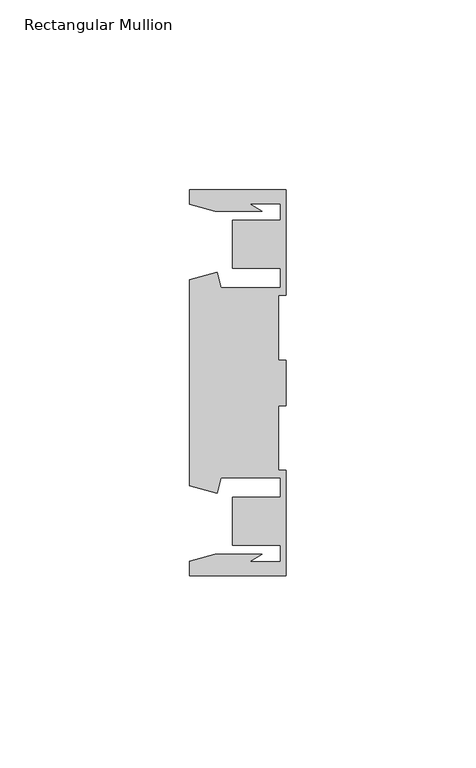
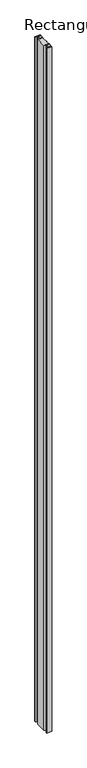
"""IFC4 building model written with IfcOpenShell, lengths in millimetres: member geometry, Rectangular Mullion."""

import ifcopenshell
import ifcopenshell.guid

model = None  # the IFC model being written
_history = None  # IfcOwnerHistory: only IFC2X3 demands one
_inside = {}  # id of a spatial element -> (the spatial element, [elements in it])
_under = {}  # id of a project, library or spatial element -> (it, [spatial elements below it])
_declared = {}  # id of a project -> (the project, [libraries it declares])
_typed = {}  # id of a type object -> (the type object, [elements of that type])
_made_of = {}  # id of a material, layer set ... -> (it, [elements and type objects made of it])


def new_model(schema):
    """Start an empty IFC model of exactly this schema.

    Asked for "IFC4X3", IfcOpenShell would pick the latest addendum, in which some entities
    have other attributes; the version numbers below select the first issue.
    IFC2X3 requires an IfcOwnerHistory on every rooted entity: one is made here for all.
    """
    global model, _history
    if schema == "IFC4X3":
        model = ifcopenshell.file(schema_version=(4, 3, 0, 0))
    else:
        model = ifcopenshell.file(schema=schema)
    _inside.clear()
    _under.clear()
    _declared.clear()
    _typed.clear()
    _made_of.clear()
    _history = None
    if model.schema == "IFC2X3":
        org = make("IfcOrganization", Name="unknown")
        user = make(
            "IfcPersonAndOrganization",
            ThePerson=make("IfcPerson", FamilyName="unknown"),
            TheOrganization=org,
        )
        app = make(
            "IfcApplication",
            ApplicationDeveloper=org,
            Version="unknown",
            ApplicationFullName="unknown",
            ApplicationIdentifier="unknown",
        )
        _history = make(
            "IfcOwnerHistory",
            OwningUser=user,
            OwningApplication=app,
            ChangeAction="ADDED",
            CreationDate=0,
        )
    return model


def make(cls, **values):
    """One entity of the class cls with the attributes given. An attribute that is None is left unset."""
    return model.create_entity(
        cls, **{name: value for name, value in values.items() if value is not None}
    )


def rooted(cls, **values):
    """An entity with a GlobalId (a new one), such as an element, a storey or a relation."""
    return make(cls, GlobalId=ifcopenshell.guid.new(), OwnerHistory=_history, **values)


def si_unit(unit_type, name, prefix=None):
    """IfcSIUnit, for example si_unit("LENGTHUNIT", "METRE", prefix="MILLI")."""
    return make("IfcSIUnit", UnitType=unit_type, Prefix=prefix, Name=name)


def assignment(units):
    """IfcUnitAssignment: the units of a project."""
    return None if units is None else make("IfcUnitAssignment", Units=units)


def point(xyz):
    """IfcCartesianPoint."""
    return None if xyz is None else make("IfcCartesianPoint", Coordinates=xyz)


def direction(xyz):
    """IfcDirection."""
    return None if xyz is None else make("IfcDirection", DirectionRatios=xyz)


def frame(location, z_axis=None, x_axis=None):
    """IfcAxis2Placement3D, a coordinate frame: its origin and axes. An axis left out is left unset."""
    return make(
        "IfcAxis2Placement3D",
        Location=point(location),
        Axis=direction(z_axis),
        RefDirection=direction(x_axis),
    )


def origin():
    """The frame at (0, 0, 0) with its axes left unset."""
    return frame((0.0, 0.0, 0.0))


def place(relative_to, where):
    """IfcLocalPlacement: puts the frame where relative to a parent placement (None: the world)."""
    return make(
        "IfcLocalPlacement", PlacementRelTo=relative_to, RelativePlacement=where
    )


def context(
    kind, dimensions, precision=None, world=None, true_north=None, identifier=None
):
    """IfcGeometricRepresentationContext, for example the 3D "Model" context."""
    return make(
        "IfcGeometricRepresentationContext",
        ContextIdentifier=identifier,
        ContextType=kind,
        CoordinateSpaceDimension=dimensions,
        Precision=precision,
        WorldCoordinateSystem=world,
        TrueNorth=true_north,
    )


def project(units=None, contexts=None):
    """IfcProject with its units and contexts."""
    return rooted(
        "IfcProject",
        Name="project",
        RepresentationContexts=contexts,
        UnitsInContext=assignment(units),
    )


def spatial(cls, under=None, at=None, **own):
    """A site, building, storey or space (cls), placed at a placement, below another one or the project."""
    s = rooted(cls, ObjectPlacement=at, **own)
    if under is not None:
        _under.setdefault(under.id(), (under, []))[1].append(s)
    return s


def polyline(points):
    """IfcPolyline through the points."""
    return make("IfcPolyline", Points=[point(p) for p in points])


def outline(outer, holes=None, kind="AREA"):
    """IfcArbitraryClosedProfileDef: a profile drawn as a closed curve; with holes, ...WithVoids."""
    if holes is None:
        return make("IfcArbitraryClosedProfileDef", ProfileType=kind, OuterCurve=outer)
    return make(
        "IfcArbitraryProfileDefWithVoids",
        ProfileType=kind,
        OuterCurve=outer,
        InnerCurves=holes,
    )


def extrude(swept, where, along, depth):
    """IfcExtrudedAreaSolid: the profile swept, set in the frame where, extruded along a direction by depth."""
    return make(
        "IfcExtrudedAreaSolid",
        SweptArea=swept,
        Position=where,
        ExtrudedDirection=direction(along),
        Depth=depth,
    )


def shape(context_of_items, identifier, shape_type, items):
    """IfcShapeRepresentation: the items that make up one representation, for example the "Body"."""
    return make(
        "IfcShapeRepresentation",
        ContextOfItems=context_of_items,
        RepresentationIdentifier=identifier,
        RepresentationType=shape_type,
        Items=items,
    )


def source(mapping_origin, context_of_items, identifier, shape_type, items):
    """IfcRepresentationMap: a shape defined once, which mapped items show again and again."""
    return make(
        "IfcRepresentationMap",
        MappingOrigin=mapping_origin,
        MappedRepresentation=shape(context_of_items, identifier, shape_type, items),
    )


def transform(
    local_origin,
    x_axis=None,
    y_axis=None,
    z_axis=None,
    scale=None,
    scale2=None,
    scale3=None,
    uniform=True,
):
    """IfcCartesianTransformationOperator3D, or its non-uniform kind. x_axis, y_axis, z_axis: its Axis1, 2, 3."""
    if uniform:
        return make(
            "IfcCartesianTransformationOperator3D",
            Axis1=direction(x_axis),
            Axis2=direction(y_axis),
            LocalOrigin=point(local_origin),
            Scale=scale,
            Axis3=direction(z_axis),
        )
    return make(
        "IfcCartesianTransformationOperator3DnonUniform",
        Axis1=direction(x_axis),
        Axis2=direction(y_axis),
        LocalOrigin=point(local_origin),
        Scale=scale,
        Axis3=direction(z_axis),
        Scale2=scale2,
        Scale3=scale3,
    )


def mapped(mapping_source, mapping_target):
    """IfcMappedItem: shows the shape of a source again, moved by a transform."""
    return make(
        "IfcMappedItem", MappingSource=mapping_source, MappingTarget=mapping_target
    )


def made_of(thing, what):
    """Note that an element or type object is made of a material, layer set ...; save() writes the relation."""
    if what is not None:
        _made_of.setdefault(what.id(), (what, []))[1].append(thing)
    return thing


def element(
    cls,
    number,
    at=None,
    inside=None,
    cuts=None,
    type_object=None,
    material=None,
    context=None,
    identifier="Body",
    shape_type=None,
    held_by="IfcProductDefinitionShape",
    body=None,
    shapes=None,
    **own,
):
    """One element of the class cls, such as IfcWall. Its Tag is "e" and its number.

    at: its placement. inside: the storey or other place that contains it. cuts: it is an
    opening in that element (IfcRelVoidsElement). A single representation is given by context,
    identifier, shape_type and body (its items); several are given by shapes. held_by: the class
    of the entity that holds the representations. save() writes the other relations.
    """
    e = rooted(cls, Tag="e%d" % number, ObjectPlacement=at, **own)
    if body is not None:
        shapes = [shape(context, identifier, shape_type, body)]
    if shapes is not None:
        e.Representation = make(held_by, Representations=shapes)
    if inside is not None:
        _inside.setdefault(inside.id(), (inside, []))[1].append(e)
    if cuts is not None:
        rooted(
            "IfcRelVoidsElement", RelatingBuildingElement=cuts, RelatedOpeningElement=e
        )
    if type_object is not None:
        _typed.setdefault(type_object.id(), (type_object, []))[1].append(e)
    return made_of(e, material)


def aggregate(whole, parts):
    """IfcRelAggregates: a whole, such as a stair, and the parts it consists of."""
    return rooted("IfcRelAggregates", RelatingObject=whole, RelatedObjects=parts)


def save(model, path):
    """Write the relations noted so far, then the file.

    IfcRelAggregates (storeys below a building ...), IfcRelContainedInSpatialStructure (elements
    in a storey), IfcRelDefinesByType, IfcRelAssociatesMaterial and IfcRelDeclares: one each for
    every whole, place, type object, material and project.
    """
    for whole, parts in _under.values():
        aggregate(whole, parts)
    for where, things in _inside.values():
        rooted(
            "IfcRelContainedInSpatialStructure",
            RelatedElements=things,
            RelatingStructure=where,
        )
    for kind, things in _typed.values():
        rooted("IfcRelDefinesByType", RelatedObjects=things, RelatingType=kind)
    for what, things in _made_of.values():
        rooted("IfcRelAssociatesMaterial", RelatedObjects=things, RelatingMaterial=what)
    for by, libraries in _declared.values():
        rooted("IfcRelDeclares", RelatingContext=by, RelatedDefinitions=libraries)
    model.write(path)


def rectangular_mullion_8d46ffeb(model_context):
    return source(origin(), model_context, "Body", "SweptSolid", [
        extrude(outline(polyline([(-25.4, 50.7954622), (0.0, 50.7954622), (0.0, 22.9938072), (-2.0000011, 22.9938072), (-2.0000011, 6.0000032), (0.0, 6.0000032), (0.0, -6.0000032), (-2.0000011, -6.0000032), (-2.0000011, -22.9938072), (0.0, -22.9938072), (0.0, -50.7954622), (-25.4, -50.7954622), (-25.4, -46.9998463), (-18.7113002, -45.2076146), (-6.3834869, -45.2076146), (-9.7005662, -47.1227313), (-1.4138425, -47.1227313), (-1.4138425, -42.8128906), (-14.1138425, -42.8128906), (-14.1138425, -30.1128906), (-1.4138425, -30.1128906), (-1.4138425, -25.0120132), (-17.1094033, -25.0120132), (-18.2017212, -29.0885993), (-25.4, -27.1598263), (-25.4, 27.1598263), (-18.2017212, 29.0885993), (-17.1094033, 25.0120132), (-1.4138425, 25.0120132), (-1.4138425, 30.1128906), (-14.1138425, 30.1128906), (-14.1138425, 42.8128906), (-1.4138425, 42.8128906), (-1.4138425, 47.1227313), (-9.7005662, 47.1227313), (-6.3834869, 45.2076146), (-18.7113002, 45.2076146), (-25.4, 46.9998463), (-25.4, 50.7954622)])), frame((0.0, 0.0, -3606.8), z_axis=(0.0, 0.0, 1.0), x_axis=(1.0, 0.0, 0.0)), (0.0, 0.0, 1.0), 3606.8),
    ])


if __name__ == "__main__":
    model = new_model("IFC4")
    model_context = context("Model", 3, world=origin())
    ifc_project = project(units=[si_unit("LENGTHUNIT", "METRE", prefix="MILLI")], contexts=[model_context])
    site = spatial("IfcSite", under=ifc_project)
    building = spatial("IfcBuilding", under=site)
    placement = place(None, origin())
    rectangular_mullion_shape = rectangular_mullion_8d46ffeb(model_context)
    element("IfcMember", 1, ObjectType="Rectangular Mullion", at=placement, inside=building, context=model_context, shape_type="MappedRepresentation", body=[
        mapped(rectangular_mullion_shape, transform((0.0, 0.0, 0.0), x_axis=(1.0, 0.0, 0.0), y_axis=(0.0, 1.0, 0.0), z_axis=(0.0, 0.0, 1.0))),
    ])
    save(model, "model.ifc")
